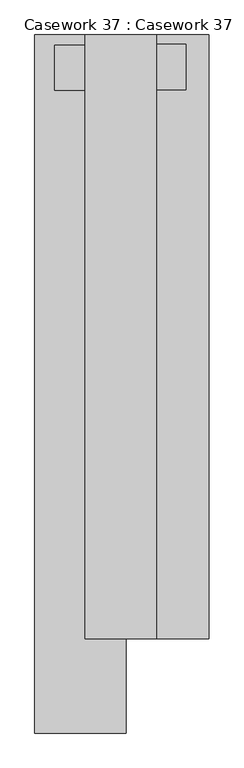
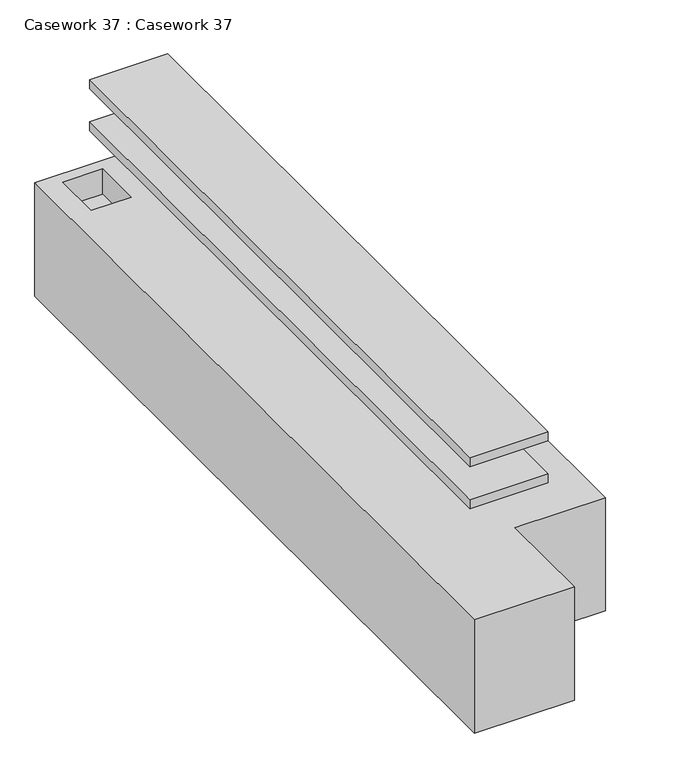
"""IFC4 building model written with IfcOpenShell, lengths in millimetres: furniture geometry, Casework 37 : Casework 37."""

from ifc_helpers import new_model, si_unit, frame, origin, place, context, project, spatial, polyline, outline, extrude, faceted_brep, source, transform, mapped, element, save


def casework_37_casework_37_1aed19b6(model_context):
    return source(origin(), model_context, "Body", "SolidModel", [
        extrude(outline(polyline([(-23163.7168784, 34077.1350739), (-22538.6949452, 34077.1350739), (-22538.6949452, 28806.5127621), (-23163.7168784, 28806.5127621), (-23163.7168784, 34077.1350739)])), frame((0.0, 0.0, -9677.4), z_axis=(0.0, 0.0, 1.0), x_axis=(1.0, 0.0, 0.0)), (0.0, 0.0, 1.0), 76.2),
        extrude(outline(polyline([(-23163.7168784, 34077.1350739), (-22538.6949452, 34077.1350739), (-22538.6949452, 28806.5127621), (-23163.7168784, 28806.5127621), (-23163.7168784, 34077.1350739)])), frame((0.0, 0.0, -10033.0), z_axis=(0.0, 0.0, 1.0), x_axis=(1.0, 0.0, 0.0)), (0.0, 0.0, 1.0), 76.2),
        faceted_brep([(-23603.1393217, 34077.1350739, -10320.0563281), (-23603.1393217, 27981.1350739, -10320.0563281), (-22804.8266291, 27981.1350739, -10320.0563281), (-22804.8266291, 28806.5127621, -10320.0563281), (-22079.1393217, 28806.5127621, -10320.0563281), (-22079.1393217, 34077.1350739, -10320.0563281), (-22598.5288819, 33993.7737074, -10320.0563281), (-22279.6834808, 33993.7737074, -10320.0563281), (-22279.6834808, 33600.2737074, -10320.0563281), (-22598.5288819, 33600.2737074, -10320.0563281), (-23111.9523073, 33595.1974024, -10320.0563281), (-23430.7977084, 33595.1974024, -10320.0563281), (-23430.7977084, 33988.6974024, -10320.0563281), (-23111.9523073, 33988.6974024, -10320.0563281), (-23603.1393217, 34077.1350739, -11277.6), (-22079.1393217, 34077.1350739, -11277.6), (-22079.1393217, 28806.5127621, -11277.6), (-22804.8266291, 28806.5127621, -11277.6), (-22804.8266291, 27981.1350739, -11277.6), (-23603.1393217, 27981.1350739, -11277.6), (-22279.6834808, 33993.7737074, -10532.5813281), (-22598.5288819, 33993.7737074, -10532.5813281), (-22598.5288819, 33600.2737074, -10532.5813281), (-22279.6834808, 33600.2737074, -10532.5813281), (-23430.7977084, 33595.1974024, -10532.5813281), (-23111.9523073, 33595.1974024, -10532.5813281), (-23111.9523073, 33988.6974024, -10532.5813281), (-23430.7977084, 33988.6974024, -10532.5813281)], [[[0, 1, 2, 3, 4, 5], [6, 7, 8, 9], [10, 11, 12, 13]], [[14, 15, 16, 17, 18, 19]], [[1, 0, 14, 19]], [[2, 1, 19, 18]], [[3, 2, 18, 17]], [[4, 3, 17, 16]], [[5, 4, 16, 15]], [[0, 5, 15, 14]], [[20, 21, 22, 23]], [[21, 20, 7, 6]], [[22, 21, 6, 9]], [[23, 22, 9, 8]], [[20, 23, 8, 7]], [[24, 25, 26, 27]], [[25, 24, 11, 10]], [[26, 25, 10, 13]], [[27, 26, 13, 12]], [[24, 27, 12, 11]]]),
    ])


if __name__ == "__main__":
    model = new_model("IFC4")
    model_context = context("Model", 3, world=origin())
    ifc_project = project(units=[si_unit("LENGTHUNIT", "METRE", prefix="MILLI")], contexts=[model_context])
    site = spatial("IfcSite", under=ifc_project)
    building = spatial("IfcBuilding", under=site)
    placement = place(None, origin())
    casework_37_casework_37_shape = casework_37_casework_37_1aed19b6(model_context)
    element("IfcFurniture", 1, ObjectType="Casework 37 : Casework 37", at=placement, inside=building, context=model_context, shape_type="MappedRepresentation", body=[
        mapped(casework_37_casework_37_shape, transform((0.0, 0.0, 0.0), x_axis=(1.0, 0.0, 0.0), y_axis=(0.0, 1.0, 0.0), z_axis=(0.0, 0.0, 1.0))),
    ])
    save(model, "model.ifc")
